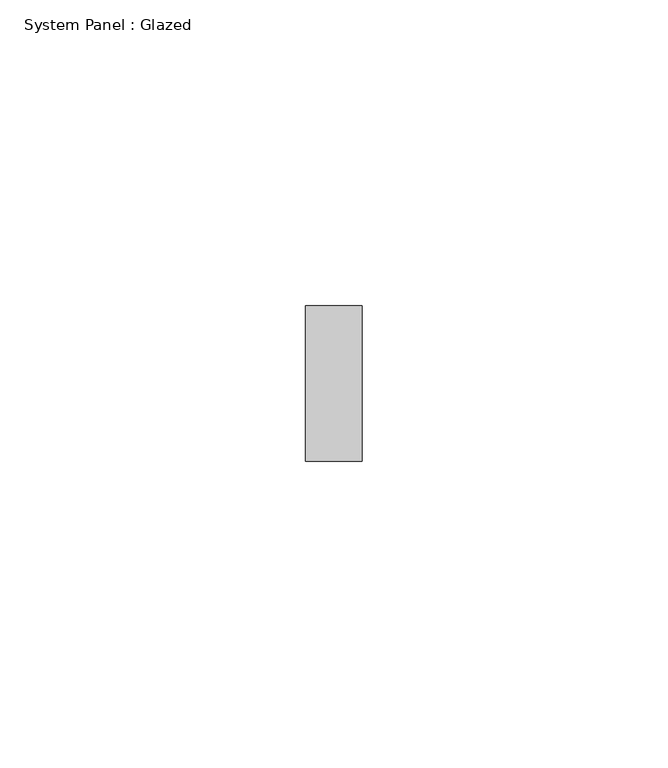
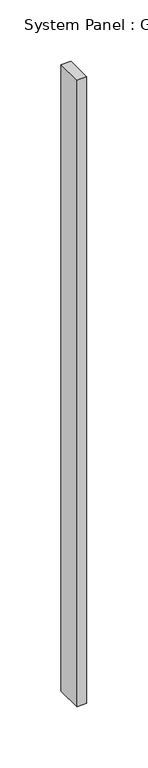
"""IFC4 building model written with IfcOpenShell, lengths in millimetres: plate geometry, System Panel : Glazed."""

from ifc_helpers import new_model, si_unit, origin, origin_with_axes, place, context, project, spatial, polyline, outline, extrude, source, transform, mapped, element, save


def system_panel_glazed_3aac20a3(model_context):
    return source(origin(), model_context, "Body", "SweptSolid", [
        extrude(outline(polyline([(4.6013366, 19.05), (-4.6013366, 19.05), (-4.6013366, 44.45), (4.6013366, 44.45), (4.6013366, 19.05)])), origin_with_axes(), (0.0, 0.0, 1.0), 622.3),
    ])


if __name__ == "__main__":
    model = new_model("IFC4")
    model_context = context("Model", 3, world=origin())
    ifc_project = project(units=[si_unit("LENGTHUNIT", "METRE", prefix="MILLI")], contexts=[model_context])
    site = spatial("IfcSite", under=ifc_project)
    building = spatial("IfcBuilding", under=site)
    placement = place(None, origin())
    system_panel_glazed_shape = system_panel_glazed_3aac20a3(model_context)
    element("IfcPlate", 1, ObjectType="System Panel : Glazed", at=placement, inside=building, context=model_context, shape_type="MappedRepresentation", body=[
        mapped(system_panel_glazed_shape, transform((0.0, 0.0, 0.0), x_axis=(1.0, 0.0, 0.0), y_axis=(0.0, 1.0, 0.0), z_axis=(0.0, 0.0, 1.0))),
    ])
    save(model, "model.ifc")
